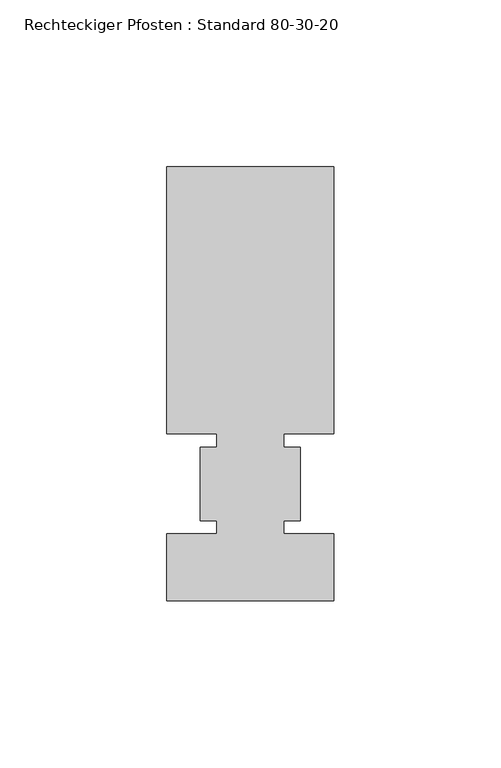
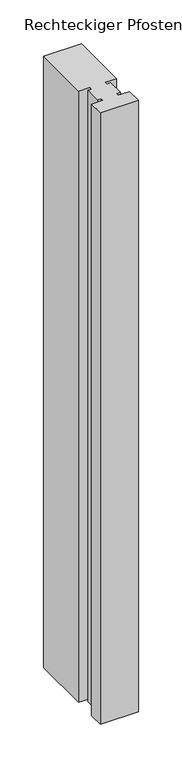
"""IFC4 building model written with IfcOpenShell, lengths in millimetres: member geometry, Rechteckiger Pfosten : Standard 80-30-20."""

from ifc_helpers import new_model, si_unit, frame, origin, place, context, project, spatial, polyline, outline, extrude, source, transform, mapped, element, save


def rechteckiger_pfosten_standard_80_30_20_799a8d48(model_context):
    return source(origin(), model_context, "Body", "SweptSolid", [
        extrude(outline(polyline([(-50.0, 95.0), (0.0, 95.0), (0.0, 15.0), (-15.0, 15.0), (-15.0, 11.0), (-10.0, 11.0), (-10.0, -11.0), (-15.0, -11.0), (-15.0, -15.0), (0.0, -15.0), (0.0, -35.0), (-50.0, -35.0), (-50.0, -15.0), (-35.0, -15.0), (-35.0, -11.0), (-40.0, -11.0), (-40.0, 11.0), (-35.0, 11.0), (-35.0, 15.0), (-50.0, 15.0), (-50.0, 95.0)])), frame((0.0, 0.0, -852.5000002), z_axis=(0.0, 0.0, 1.0), x_axis=(1.0, 0.0, 0.0)), (0.0, 0.0, 1.0), 852.5000002),
    ])


if __name__ == "__main__":
    model = new_model("IFC4")
    model_context = context("Model", 3, world=origin())
    ifc_project = project(units=[si_unit("LENGTHUNIT", "METRE", prefix="MILLI")], contexts=[model_context])
    site = spatial("IfcSite", under=ifc_project)
    building = spatial("IfcBuilding", under=site)
    placement = place(None, origin())
    rechteckiger_pfosten_standard_80_30_20_shape = rechteckiger_pfosten_standard_80_30_20_799a8d48(model_context)
    element("IfcMember", 1, ObjectType="Rechteckiger Pfosten : Standard 80-30-20", at=placement, inside=building, context=model_context, shape_type="MappedRepresentation", body=[
        mapped(rechteckiger_pfosten_standard_80_30_20_shape, transform((0.0, 0.0, 0.0), x_axis=(1.0, 0.0, 0.0), y_axis=(0.0, 1.0, 0.0), z_axis=(0.0, 0.0, 1.0))),
    ])
    save(model, "model.ifc")
